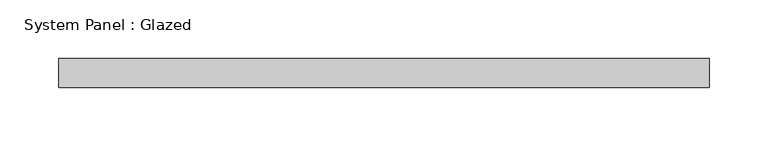
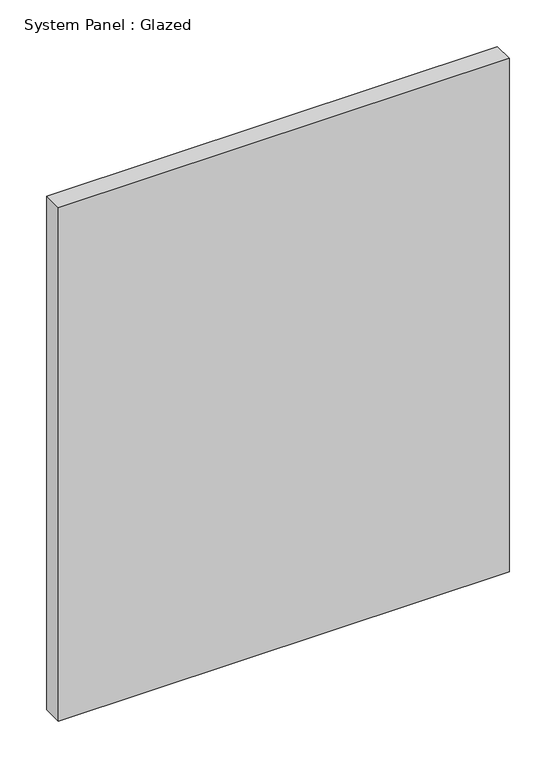
"""IFC4 building model written with IfcOpenShell, lengths in millimetres: plate geometry, System Panel : Glazed."""

from ifc_helpers import new_model, si_unit, origin, origin_with_axes, place, context, project, spatial, polyline, outline, extrude, source, transform, mapped, element, save


def system_panel_glazed_1e27dd88(model_context):
    return source(origin(), model_context, "Body", "SweptSolid", [
        extrude(outline(polyline([(278.0, 24.5), (-278.0, 24.5), (-278.0, 49.5), (278.0, 49.5), (278.0, 24.5)])), origin_with_axes(), (0.0, 0.0, 1.0), 670.0),
    ])


if __name__ == "__main__":
    model = new_model("IFC4")
    model_context = context("Model", 3, world=origin())
    ifc_project = project(units=[si_unit("LENGTHUNIT", "METRE", prefix="MILLI")], contexts=[model_context])
    site = spatial("IfcSite", under=ifc_project)
    building = spatial("IfcBuilding", under=site)
    placement = place(None, origin())
    system_panel_glazed_shape = system_panel_glazed_1e27dd88(model_context)
    element("IfcPlate", 1, ObjectType="System Panel : Glazed", at=placement, inside=building, context=model_context, shape_type="MappedRepresentation", body=[
        mapped(system_panel_glazed_shape, transform((0.0, 0.0, 0.0), x_axis=(1.0, 0.0, 0.0), y_axis=(0.0, 1.0, 0.0), z_axis=(0.0, 0.0, 1.0))),
    ])
    save(model, "model.ifc")
